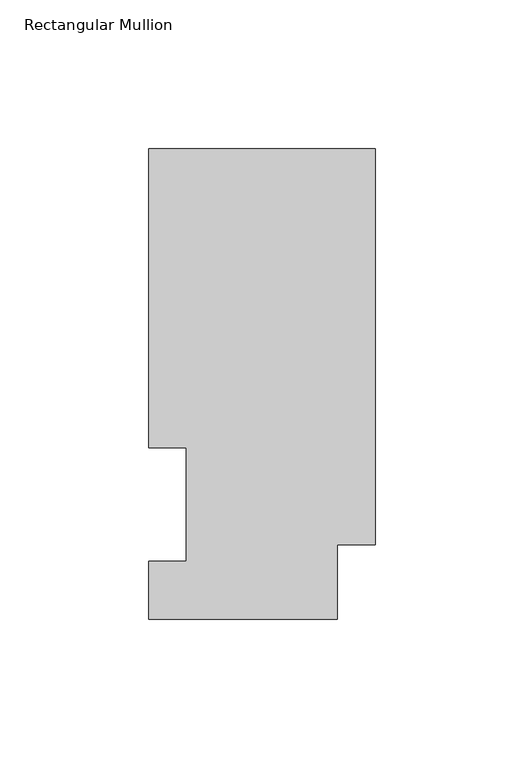
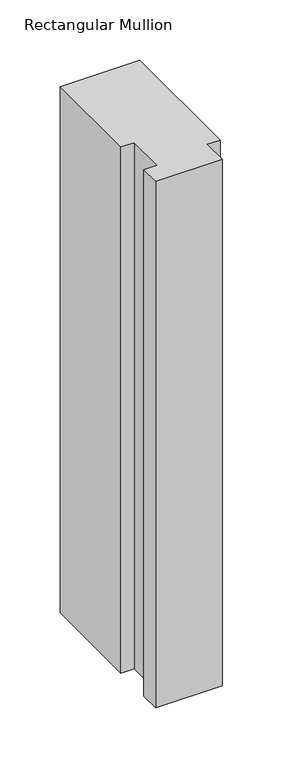
"""IFC4 building model written with IfcOpenShell, lengths in millimetres: member geometry, Rectangular Mullion."""

import ifcopenshell
import ifcopenshell.guid

model = None  # the IFC model being written
_history = None  # IfcOwnerHistory: only IFC2X3 demands one
_inside = {}  # id of a spatial element -> (the spatial element, [elements in it])
_under = {}  # id of a project, library or spatial element -> (it, [spatial elements below it])
_declared = {}  # id of a project -> (the project, [libraries it declares])
_typed = {}  # id of a type object -> (the type object, [elements of that type])
_made_of = {}  # id of a material, layer set ... -> (it, [elements and type objects made of it])


def new_model(schema):
    """Start an empty IFC model of exactly this schema.

    Asked for "IFC4X3", IfcOpenShell would pick the latest addendum, in which some entities
    have other attributes; the version numbers below select the first issue.
    IFC2X3 requires an IfcOwnerHistory on every rooted entity: one is made here for all.
    """
    global model, _history
    if schema == "IFC4X3":
        model = ifcopenshell.file(schema_version=(4, 3, 0, 0))
    else:
        model = ifcopenshell.file(schema=schema)
    _inside.clear()
    _under.clear()
    _declared.clear()
    _typed.clear()
    _made_of.clear()
    _history = None
    if model.schema == "IFC2X3":
        org = make("IfcOrganization", Name="unknown")
        user = make(
            "IfcPersonAndOrganization",
            ThePerson=make("IfcPerson", FamilyName="unknown"),
            TheOrganization=org,
        )
        app = make(
            "IfcApplication",
            ApplicationDeveloper=org,
            Version="unknown",
            ApplicationFullName="unknown",
            ApplicationIdentifier="unknown",
        )
        _history = make(
            "IfcOwnerHistory",
            OwningUser=user,
            OwningApplication=app,
            ChangeAction="ADDED",
            CreationDate=0,
        )
    return model


def make(cls, **values):
    """One entity of the class cls with the attributes given. An attribute that is None is left unset."""
    return model.create_entity(
        cls, **{name: value for name, value in values.items() if value is not None}
    )


def rooted(cls, **values):
    """An entity with a GlobalId (a new one), such as an element, a storey or a relation."""
    return make(cls, GlobalId=ifcopenshell.guid.new(), OwnerHistory=_history, **values)


def si_unit(unit_type, name, prefix=None):
    """IfcSIUnit, for example si_unit("LENGTHUNIT", "METRE", prefix="MILLI")."""
    return make("IfcSIUnit", UnitType=unit_type, Prefix=prefix, Name=name)


def assignment(units):
    """IfcUnitAssignment: the units of a project."""
    return None if units is None else make("IfcUnitAssignment", Units=units)


def point(xyz):
    """IfcCartesianPoint."""
    return None if xyz is None else make("IfcCartesianPoint", Coordinates=xyz)


def direction(xyz):
    """IfcDirection."""
    return None if xyz is None else make("IfcDirection", DirectionRatios=xyz)


def frame(location, z_axis=None, x_axis=None):
    """IfcAxis2Placement3D, a coordinate frame: its origin and axes. An axis left out is left unset."""
    return make(
        "IfcAxis2Placement3D",
        Location=point(location),
        Axis=direction(z_axis),
        RefDirection=direction(x_axis),
    )


def origin():
    """The frame at (0, 0, 0) with its axes left unset."""
    return frame((0.0, 0.0, 0.0))


def place(relative_to, where):
    """IfcLocalPlacement: puts the frame where relative to a parent placement (None: the world)."""
    return make(
        "IfcLocalPlacement", PlacementRelTo=relative_to, RelativePlacement=where
    )


def context(
    kind, dimensions, precision=None, world=None, true_north=None, identifier=None
):
    """IfcGeometricRepresentationContext, for example the 3D "Model" context."""
    return make(
        "IfcGeometricRepresentationContext",
        ContextIdentifier=identifier,
        ContextType=kind,
        CoordinateSpaceDimension=dimensions,
        Precision=precision,
        WorldCoordinateSystem=world,
        TrueNorth=true_north,
    )


def project(units=None, contexts=None):
    """IfcProject with its units and contexts."""
    return rooted(
        "IfcProject",
        Name="project",
        RepresentationContexts=contexts,
        UnitsInContext=assignment(units),
    )


def spatial(cls, under=None, at=None, **own):
    """A site, building, storey or space (cls), placed at a placement, below another one or the project."""
    s = rooted(cls, ObjectPlacement=at, **own)
    if under is not None:
        _under.setdefault(under.id(), (under, []))[1].append(s)
    return s


def polyline(points):
    """IfcPolyline through the points."""
    return make("IfcPolyline", Points=[point(p) for p in points])


def outline(outer, holes=None, kind="AREA"):
    """IfcArbitraryClosedProfileDef: a profile drawn as a closed curve; with holes, ...WithVoids."""
    if holes is None:
        return make("IfcArbitraryClosedProfileDef", ProfileType=kind, OuterCurve=outer)
    return make(
        "IfcArbitraryProfileDefWithVoids",
        ProfileType=kind,
        OuterCurve=outer,
        InnerCurves=holes,
    )


def extrude(swept, where, along, depth):
    """IfcExtrudedAreaSolid: the profile swept, set in the frame where, extruded along a direction by depth."""
    return make(
        "IfcExtrudedAreaSolid",
        SweptArea=swept,
        Position=where,
        ExtrudedDirection=direction(along),
        Depth=depth,
    )


def shape(context_of_items, identifier, shape_type, items):
    """IfcShapeRepresentation: the items that make up one representation, for example the "Body"."""
    return make(
        "IfcShapeRepresentation",
        ContextOfItems=context_of_items,
        RepresentationIdentifier=identifier,
        RepresentationType=shape_type,
        Items=items,
    )


def source(mapping_origin, context_of_items, identifier, shape_type, items):
    """IfcRepresentationMap: a shape defined once, which mapped items show again and again."""
    return make(
        "IfcRepresentationMap",
        MappingOrigin=mapping_origin,
        MappedRepresentation=shape(context_of_items, identifier, shape_type, items),
    )


def transform(
    local_origin,
    x_axis=None,
    y_axis=None,
    z_axis=None,
    scale=None,
    scale2=None,
    scale3=None,
    uniform=True,
):
    """IfcCartesianTransformationOperator3D, or its non-uniform kind. x_axis, y_axis, z_axis: its Axis1, 2, 3."""
    if uniform:
        return make(
            "IfcCartesianTransformationOperator3D",
            Axis1=direction(x_axis),
            Axis2=direction(y_axis),
            LocalOrigin=point(local_origin),
            Scale=scale,
            Axis3=direction(z_axis),
        )
    return make(
        "IfcCartesianTransformationOperator3DnonUniform",
        Axis1=direction(x_axis),
        Axis2=direction(y_axis),
        LocalOrigin=point(local_origin),
        Scale=scale,
        Axis3=direction(z_axis),
        Scale2=scale2,
        Scale3=scale3,
    )


def mapped(mapping_source, mapping_target):
    """IfcMappedItem: shows the shape of a source again, moved by a transform."""
    return make(
        "IfcMappedItem", MappingSource=mapping_source, MappingTarget=mapping_target
    )


def made_of(thing, what):
    """Note that an element or type object is made of a material, layer set ...; save() writes the relation."""
    if what is not None:
        _made_of.setdefault(what.id(), (what, []))[1].append(thing)
    return thing


def element(
    cls,
    number,
    at=None,
    inside=None,
    cuts=None,
    type_object=None,
    material=None,
    context=None,
    identifier="Body",
    shape_type=None,
    held_by="IfcProductDefinitionShape",
    body=None,
    shapes=None,
    **own,
):
    """One element of the class cls, such as IfcWall. Its Tag is "e" and its number.

    at: its placement. inside: the storey or other place that contains it. cuts: it is an
    opening in that element (IfcRelVoidsElement). A single representation is given by context,
    identifier, shape_type and body (its items); several are given by shapes. held_by: the class
    of the entity that holds the representations. save() writes the other relations.
    """
    e = rooted(cls, Tag="e%d" % number, ObjectPlacement=at, **own)
    if body is not None:
        shapes = [shape(context, identifier, shape_type, body)]
    if shapes is not None:
        e.Representation = make(held_by, Representations=shapes)
    if inside is not None:
        _inside.setdefault(inside.id(), (inside, []))[1].append(e)
    if cuts is not None:
        rooted(
            "IfcRelVoidsElement", RelatingBuildingElement=cuts, RelatedOpeningElement=e
        )
    if type_object is not None:
        _typed.setdefault(type_object.id(), (type_object, []))[1].append(e)
    return made_of(e, material)


def aggregate(whole, parts):
    """IfcRelAggregates: a whole, such as a stair, and the parts it consists of."""
    return rooted("IfcRelAggregates", RelatingObject=whole, RelatedObjects=parts)


def save(model, path):
    """Write the relations noted so far, then the file.

    IfcRelAggregates (storeys below a building ...), IfcRelContainedInSpatialStructure (elements
    in a storey), IfcRelDefinesByType, IfcRelAssociatesMaterial and IfcRelDeclares: one each for
    every whole, place, type object, material and project.
    """
    for whole, parts in _under.values():
        aggregate(whole, parts)
    for where, things in _inside.values():
        rooted(
            "IfcRelContainedInSpatialStructure",
            RelatedElements=things,
            RelatingStructure=where,
        )
    for kind, things in _typed.values():
        rooted("IfcRelDefinesByType", RelatedObjects=things, RelatingType=kind)
    for what, things in _made_of.values():
        rooted("IfcRelAssociatesMaterial", RelatedObjects=things, RelatingMaterial=what)
    for by, libraries in _declared.values():
        rooted("IfcRelDeclares", RelatingContext=by, RelatedDefinitions=libraries)
    model.write(path)


def rectangular_mullion_bb16bed0(model_context):
    return source(origin(), model_context, "Body", "SweptSolid", [
        extrude(outline(polyline([(-76.2, 158.3316937), (0.0, 158.3316937), (0.0, 25.0832937), (-12.7, 25.0832937), (-12.7, 0.0134937), (-76.2, 0.0134937), (-76.2, 19.5460937), (-63.5, 19.5460937), (-63.5, 57.6460938), (-76.2, 57.6460938), (-76.2, 158.3316937)])), frame((0.0, 0.0, -532.9054937), z_axis=(0.0, 0.0, 1.0), x_axis=(1.0, 0.0, 0.0)), (0.0, 0.0, 1.0), 532.9054937),
    ])


if __name__ == "__main__":
    model = new_model("IFC4")
    model_context = context("Model", 3, world=origin())
    ifc_project = project(units=[si_unit("LENGTHUNIT", "METRE", prefix="MILLI")], contexts=[model_context])
    site = spatial("IfcSite", under=ifc_project)
    building = spatial("IfcBuilding", under=site)
    placement = place(None, origin())
    rectangular_mullion_shape = rectangular_mullion_bb16bed0(model_context)
    element("IfcMember", 1, ObjectType="Rectangular Mullion", at=placement, inside=building, context=model_context, shape_type="MappedRepresentation", body=[
        mapped(rectangular_mullion_shape, transform((0.0, 0.0, 0.0), x_axis=(1.0, 0.0, 0.0), y_axis=(0.0, 1.0, 0.0), z_axis=(0.0, 0.0, 1.0))),
    ])
    save(model, "model.ifc")
